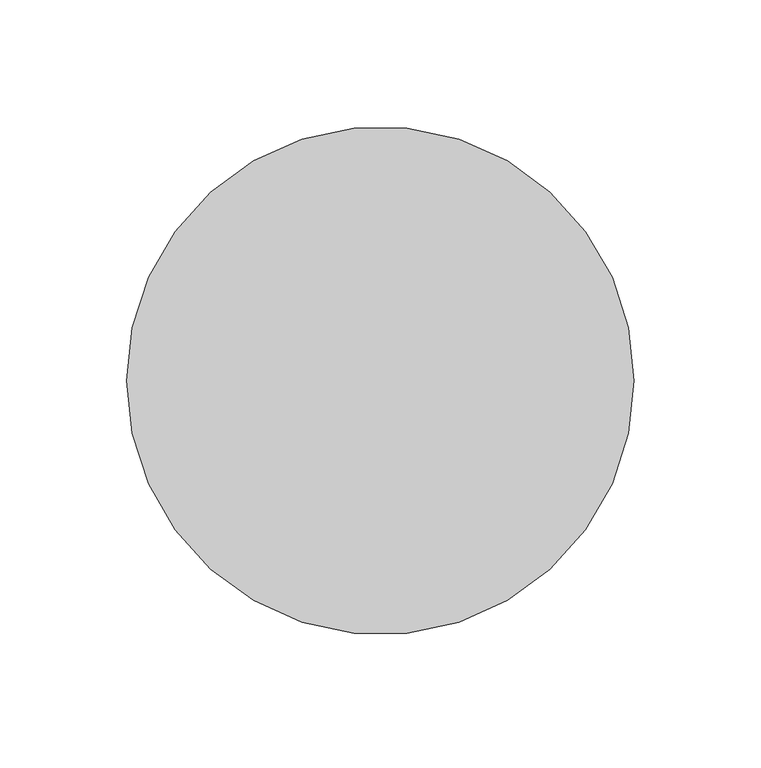
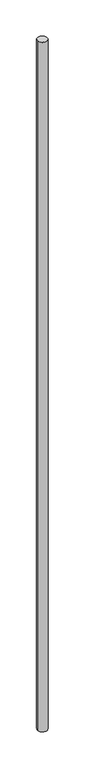
"""IFC4 building model written with IfcOpenShell, lengths in millimetres: proxy geometry."""

from ifc_helpers import new_model, si_unit, point, origin, origin_with_axes, origin_2d, place, context, project, spatial, circle_curve, trimmed, segment, composite_curve, outline, extrude, source, transform, mapped, element, save


def generic_models_1a07f83d(model_context):
    return source(origin(), model_context, "Body", "SweptSolid", [
        extrude(outline(composite_curve([segment(trimmed(circle_curve(origin_2d(), 100.0), [point((-100.0, 0.0))], [point((100.0, 0.0))], False, "CARTESIAN"), True, "CONTINUOUS"), segment(trimmed(circle_curve(origin_2d(), 100.0), [point((100.0, 0.0))], [point((-100.0, 0.0))], False, "CARTESIAN"), True, "CONTINUOUS")], self_intersect=False)), origin_with_axes(), (0.0, 0.0, 1.0), 15000.0),
    ])


if __name__ == "__main__":
    model = new_model("IFC4")
    model_context = context("Model", 3, world=origin())
    ifc_project = project(units=[si_unit("LENGTHUNIT", "METRE", prefix="MILLI")], contexts=[model_context])
    site = spatial("IfcSite", under=ifc_project)
    building = spatial("IfcBuilding", under=site)
    placement = place(None, origin())
    generic_models_shape = generic_models_1a07f83d(model_context)
    element("IfcBuildingElementProxy", 1, Name="Generic Models", at=placement, inside=building, context=model_context, shape_type="MappedRepresentation", body=[
        mapped(generic_models_shape, transform((0.0, 0.0, 0.0), x_axis=(1.0, 0.0, 0.0), y_axis=(0.0, 1.0, 0.0), z_axis=(0.0, 0.0, 1.0))),
    ])
    save(model, "model.ifc")
